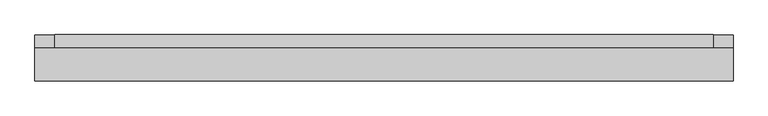
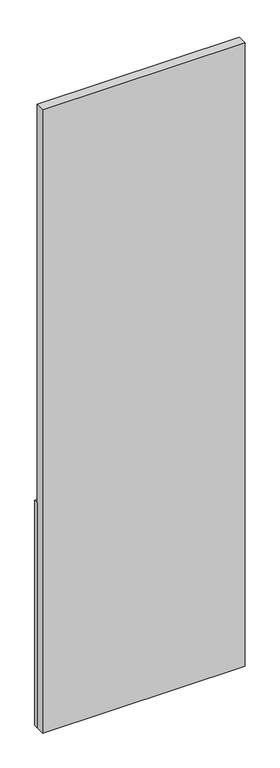
"""IFC4 building model written with IfcOpenShell, lengths in millimetres: furniture geometry."""

import ifcopenshell
import ifcopenshell.guid

model = None  # the IFC model being written
_history = None  # IfcOwnerHistory: only IFC2X3 demands one
_inside = {}  # id of a spatial element -> (the spatial element, [elements in it])
_under = {}  # id of a project, library or spatial element -> (it, [spatial elements below it])
_declared = {}  # id of a project -> (the project, [libraries it declares])
_typed = {}  # id of a type object -> (the type object, [elements of that type])
_made_of = {}  # id of a material, layer set ... -> (it, [elements and type objects made of it])


def new_model(schema):
    """Start an empty IFC model of exactly this schema.

    Asked for "IFC4X3", IfcOpenShell would pick the latest addendum, in which some entities
    have other attributes; the version numbers below select the first issue.
    IFC2X3 requires an IfcOwnerHistory on every rooted entity: one is made here for all.
    """
    global model, _history
    if schema == "IFC4X3":
        model = ifcopenshell.file(schema_version=(4, 3, 0, 0))
    else:
        model = ifcopenshell.file(schema=schema)
    _inside.clear()
    _under.clear()
    _declared.clear()
    _typed.clear()
    _made_of.clear()
    _history = None
    if model.schema == "IFC2X3":
        org = make("IfcOrganization", Name="unknown")
        user = make(
            "IfcPersonAndOrganization",
            ThePerson=make("IfcPerson", FamilyName="unknown"),
            TheOrganization=org,
        )
        app = make(
            "IfcApplication",
            ApplicationDeveloper=org,
            Version="unknown",
            ApplicationFullName="unknown",
            ApplicationIdentifier="unknown",
        )
        _history = make(
            "IfcOwnerHistory",
            OwningUser=user,
            OwningApplication=app,
            ChangeAction="ADDED",
            CreationDate=0,
        )
    return model


def make(cls, **values):
    """One entity of the class cls with the attributes given. An attribute that is None is left unset."""
    return model.create_entity(
        cls, **{name: value for name, value in values.items() if value is not None}
    )


def rooted(cls, **values):
    """An entity with a GlobalId (a new one), such as an element, a storey or a relation."""
    return make(cls, GlobalId=ifcopenshell.guid.new(), OwnerHistory=_history, **values)


def si_unit(unit_type, name, prefix=None):
    """IfcSIUnit, for example si_unit("LENGTHUNIT", "METRE", prefix="MILLI")."""
    return make("IfcSIUnit", UnitType=unit_type, Prefix=prefix, Name=name)


def assignment(units):
    """IfcUnitAssignment: the units of a project."""
    return None if units is None else make("IfcUnitAssignment", Units=units)


def point(xyz):
    """IfcCartesianPoint."""
    return None if xyz is None else make("IfcCartesianPoint", Coordinates=xyz)


def direction(xyz):
    """IfcDirection."""
    return None if xyz is None else make("IfcDirection", DirectionRatios=xyz)


def frame(location, z_axis=None, x_axis=None):
    """IfcAxis2Placement3D, a coordinate frame: its origin and axes. An axis left out is left unset."""
    return make(
        "IfcAxis2Placement3D",
        Location=point(location),
        Axis=direction(z_axis),
        RefDirection=direction(x_axis),
    )


def origin():
    """The frame at (0, 0, 0) with its axes left unset."""
    return frame((0.0, 0.0, 0.0))


def origin_with_axes():
    """The frame at (0, 0, 0) with the z axis (0, 0, 1) and the x axis (1, 0, 0) written out."""
    return frame((0.0, 0.0, 0.0), z_axis=(0.0, 0.0, 1.0), x_axis=(1.0, 0.0, 0.0))


def place(relative_to, where):
    """IfcLocalPlacement: puts the frame where relative to a parent placement (None: the world)."""
    return make(
        "IfcLocalPlacement", PlacementRelTo=relative_to, RelativePlacement=where
    )


def context(
    kind, dimensions, precision=None, world=None, true_north=None, identifier=None
):
    """IfcGeometricRepresentationContext, for example the 3D "Model" context."""
    return make(
        "IfcGeometricRepresentationContext",
        ContextIdentifier=identifier,
        ContextType=kind,
        CoordinateSpaceDimension=dimensions,
        Precision=precision,
        WorldCoordinateSystem=world,
        TrueNorth=true_north,
    )


def project(units=None, contexts=None):
    """IfcProject with its units and contexts."""
    return rooted(
        "IfcProject",
        Name="project",
        RepresentationContexts=contexts,
        UnitsInContext=assignment(units),
    )


def spatial(cls, under=None, at=None, **own):
    """A site, building, storey or space (cls), placed at a placement, below another one or the project."""
    s = rooted(cls, ObjectPlacement=at, **own)
    if under is not None:
        _under.setdefault(under.id(), (under, []))[1].append(s)
    return s


def polyline(points):
    """IfcPolyline through the points."""
    return make("IfcPolyline", Points=[point(p) for p in points])


def outline(outer, holes=None, kind="AREA"):
    """IfcArbitraryClosedProfileDef: a profile drawn as a closed curve; with holes, ...WithVoids."""
    if holes is None:
        return make("IfcArbitraryClosedProfileDef", ProfileType=kind, OuterCurve=outer)
    return make(
        "IfcArbitraryProfileDefWithVoids",
        ProfileType=kind,
        OuterCurve=outer,
        InnerCurves=holes,
    )


def extrude(swept, where, along, depth):
    """IfcExtrudedAreaSolid: the profile swept, set in the frame where, extruded along a direction by depth."""
    return make(
        "IfcExtrudedAreaSolid",
        SweptArea=swept,
        Position=where,
        ExtrudedDirection=direction(along),
        Depth=depth,
    )


def shape(context_of_items, identifier, shape_type, items):
    """IfcShapeRepresentation: the items that make up one representation, for example the "Body"."""
    return make(
        "IfcShapeRepresentation",
        ContextOfItems=context_of_items,
        RepresentationIdentifier=identifier,
        RepresentationType=shape_type,
        Items=items,
    )


def source(mapping_origin, context_of_items, identifier, shape_type, items):
    """IfcRepresentationMap: a shape defined once, which mapped items show again and again."""
    return make(
        "IfcRepresentationMap",
        MappingOrigin=mapping_origin,
        MappedRepresentation=shape(context_of_items, identifier, shape_type, items),
    )


def transform(
    local_origin,
    x_axis=None,
    y_axis=None,
    z_axis=None,
    scale=None,
    scale2=None,
    scale3=None,
    uniform=True,
):
    """IfcCartesianTransformationOperator3D, or its non-uniform kind. x_axis, y_axis, z_axis: its Axis1, 2, 3."""
    if uniform:
        return make(
            "IfcCartesianTransformationOperator3D",
            Axis1=direction(x_axis),
            Axis2=direction(y_axis),
            LocalOrigin=point(local_origin),
            Scale=scale,
            Axis3=direction(z_axis),
        )
    return make(
        "IfcCartesianTransformationOperator3DnonUniform",
        Axis1=direction(x_axis),
        Axis2=direction(y_axis),
        LocalOrigin=point(local_origin),
        Scale=scale,
        Axis3=direction(z_axis),
        Scale2=scale2,
        Scale3=scale3,
    )


def mapped(mapping_source, mapping_target):
    """IfcMappedItem: shows the shape of a source again, moved by a transform."""
    return make(
        "IfcMappedItem", MappingSource=mapping_source, MappingTarget=mapping_target
    )


def made_of(thing, what):
    """Note that an element or type object is made of a material, layer set ...; save() writes the relation."""
    if what is not None:
        _made_of.setdefault(what.id(), (what, []))[1].append(thing)
    return thing


def element(
    cls,
    number,
    at=None,
    inside=None,
    cuts=None,
    type_object=None,
    material=None,
    context=None,
    identifier="Body",
    shape_type=None,
    held_by="IfcProductDefinitionShape",
    body=None,
    shapes=None,
    **own,
):
    """One element of the class cls, such as IfcWall. Its Tag is "e" and its number.

    at: its placement. inside: the storey or other place that contains it. cuts: it is an
    opening in that element (IfcRelVoidsElement). A single representation is given by context,
    identifier, shape_type and body (its items); several are given by shapes. held_by: the class
    of the entity that holds the representations. save() writes the other relations.
    """
    e = rooted(cls, Tag="e%d" % number, ObjectPlacement=at, **own)
    if body is not None:
        shapes = [shape(context, identifier, shape_type, body)]
    if shapes is not None:
        e.Representation = make(held_by, Representations=shapes)
    if inside is not None:
        _inside.setdefault(inside.id(), (inside, []))[1].append(e)
    if cuts is not None:
        rooted(
            "IfcRelVoidsElement", RelatingBuildingElement=cuts, RelatedOpeningElement=e
        )
    if type_object is not None:
        _typed.setdefault(type_object.id(), (type_object, []))[1].append(e)
    return made_of(e, material)


def aggregate(whole, parts):
    """IfcRelAggregates: a whole, such as a stair, and the parts it consists of."""
    return rooted("IfcRelAggregates", RelatingObject=whole, RelatedObjects=parts)


def save(model, path):
    """Write the relations noted so far, then the file.

    IfcRelAggregates (storeys below a building ...), IfcRelContainedInSpatialStructure (elements
    in a storey), IfcRelDefinesByType, IfcRelAssociatesMaterial and IfcRelDeclares: one each for
    every whole, place, type object, material and project.
    """
    for whole, parts in _under.values():
        aggregate(whole, parts)
    for where, things in _inside.values():
        rooted(
            "IfcRelContainedInSpatialStructure",
            RelatedElements=things,
            RelatingStructure=where,
        )
    for kind, things in _typed.values():
        rooted("IfcRelDefinesByType", RelatedObjects=things, RelatingType=kind)
    for what, things in _made_of.values():
        rooted("IfcRelAssociatesMaterial", RelatedObjects=things, RelatingMaterial=what)
    for by, libraries in _declared.values():
        rooted("IfcRelDeclares", RelatingContext=by, RelatedDefinitions=libraries)
    model.write(path)


def furniture_56536bb8(model_context):
    return source(origin(), model_context, "Body", "SweptSolid", [
        extrude(outline(polyline([(655.0, 340.0), (-405.0, 340.0), (-405.0, 360.0), (655.0, 360.0), (655.0, 340.0)])), origin_with_axes(), (0.0, 0.0, 1.0), 1245.0),
        extrude(outline(polyline([(625.0, 340.0), (-375.0, 340.0), (-375.0, 360.0), (625.0, 360.0), (625.0, 340.0)])), frame((0.0, 0.0, 2145.0), z_axis=(0.0, 0.0, 1.0), x_axis=(1.0, 0.0, 0.0)), (0.0, 0.0, 1.0), 405.0),
        extrude(outline(polyline([(625.0, 340.0), (-375.0, 340.0), (-375.0, 360.0), (625.0, 360.0), (625.0, 340.0)])), frame((0.0, 0.0, 2580.0), z_axis=(0.0, 0.0, 1.0), x_axis=(1.0, 0.0, 0.0)), (0.0, 0.0, 1.0), 405.0),
        extrude(outline(polyline([(625.0, 340.0), (-375.0, 340.0), (-375.0, 360.0), (625.0, 360.0), (625.0, 340.0)])), frame((0.0, 0.0, 3015.0), z_axis=(0.0, 0.0, 1.0), x_axis=(1.0, 0.0, 0.0)), (0.0, 0.0, 1.0), 405.0),
        extrude(outline(polyline([(625.0, 340.0), (-375.0, 340.0), (-375.0, 360.0), (625.0, 360.0), (625.0, 340.0)])), frame((0.0, 0.0, 1275.0), z_axis=(0.0, 0.0, 1.0), x_axis=(1.0, 0.0, 0.0)), (0.0, 0.0, 1.0), 405.0),
        extrude(outline(polyline([(625.0, 340.0), (-375.0, 340.0), (-375.0, 360.0), (625.0, 360.0), (625.0, 340.0)])), frame((0.0, 0.0, 1710.0), z_axis=(0.0, 0.0, 1.0), x_axis=(1.0, 0.0, 0.0)), (0.0, 0.0, 1.0), 405.0),
        extrude(outline(polyline([(655.0, 290.0), (-405.0, 290.0), (-405.0, 340.0), (655.0, 340.0), (655.0, 290.0)])), origin_with_axes(), (0.0, 0.0, 1.0), 3450.0),
    ])


if __name__ == "__main__":
    model = new_model("IFC4")
    model_context = context("Model", 3, world=origin())
    ifc_project = project(units=[si_unit("LENGTHUNIT", "METRE", prefix="MILLI")], contexts=[model_context])
    site = spatial("IfcSite", under=ifc_project)
    building = spatial("IfcBuilding", under=site)
    placement = place(None, origin())
    furniture_shape = furniture_56536bb8(model_context)
    element("IfcFurniture", 1, at=placement, inside=building, context=model_context, shape_type="MappedRepresentation", body=[
        mapped(furniture_shape, transform((0.0, 0.0, 0.0), x_axis=(1.0, 0.0, 0.0), y_axis=(0.0, 1.0, 0.0), z_axis=(0.0, 0.0, 1.0))),
    ])
    save(model, "model.ifc")
